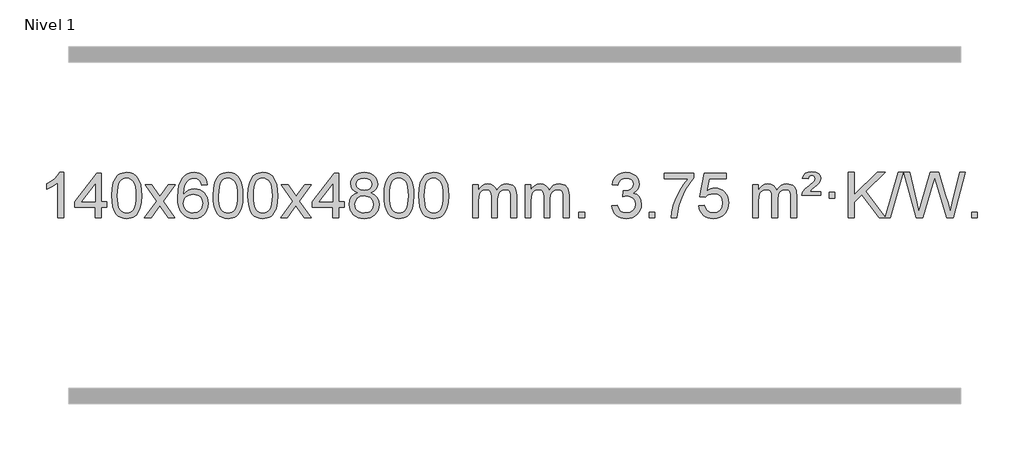
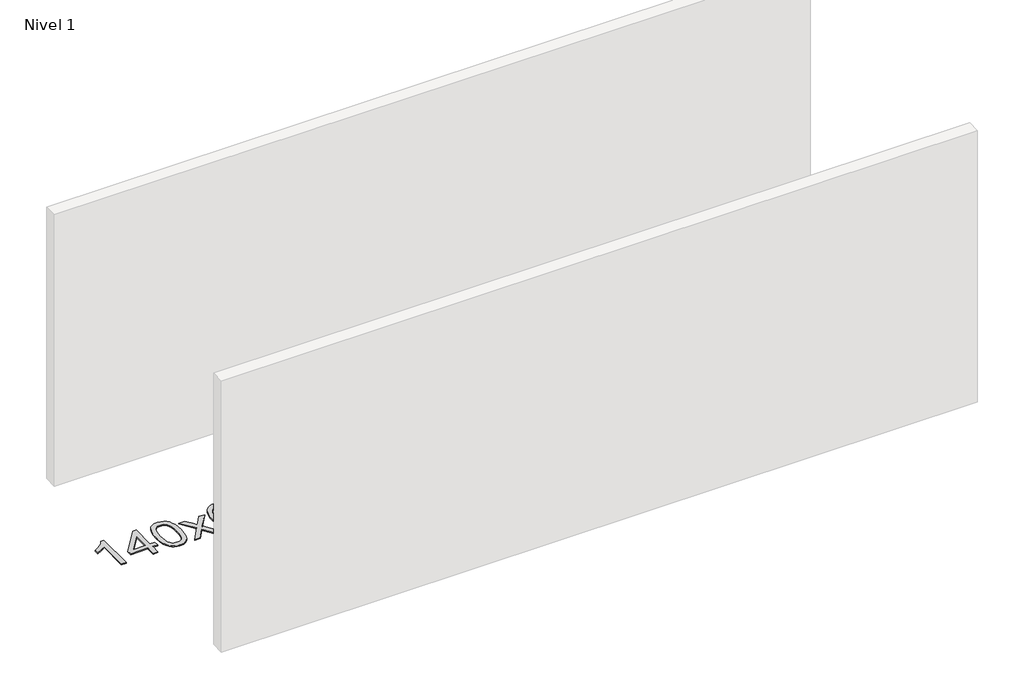
# One storey, part 8 of 21: 1 proxy.
"""IFC4 building model written with IfcOpenShell, lengths in millimetres."""

from ifc_helpers import new_model, si_unit, origin, origin_with_axes, place, context, project, spatial, polyline, outline, extrude, element, save

model = new_model("IFC4")

# Units and contexts
model_context = context("Model", 3, world=origin())
ifc_project = project(units=[si_unit("LENGTHUNIT", "METRE", prefix="MILLI")], contexts=[model_context])

# Site, building, storey
site = spatial("IfcSite", under=ifc_project)
building = spatial("IfcBuilding", under=site)
storey = spatial("IfcBuildingStorey", under=building, Name="Nivel 1", Elevation=0.0)

# Proxy
placement = place(None, origin())
element("IfcBuildingElementProxy", 1, Name="Texto de modelo 1", ObjectType="Texto de modelo 1", at=placement, inside=storey, context=model_context, shape_type="SweptSolid", body=[
    extrude(outline(polyline([(-275.4615788, -33735.579453), (-325.6897338, -33735.579453), (-325.6897338, -33422.4382987), (-346.6590076, -33439.3976587), (-373.2691385, -33456.3324932), (-426.146044, -33481.6918254), (-426.146044, -33434.2105225), (-386.6968314, -33412.7507395), (-352.520594, -33387.219729), (-325.5793692, -33360.0700378), (-307.8351943, -33333.7542124), (-275.4615788, -33333.7542124), (-275.4615788, -33735.579453)])), origin_with_axes(), (0.0, 0.0, 1.0), 10.0),
    extrude(outline(polyline([(7.0717935, -33735.579453), (7.0717935, -33641.4016622), (-175.0052686, -33641.4016622), (-175.0052686, -33591.1735072), (19.6288323, -33340.0327318), (57.2999486, -33340.0327318), (57.2999486, -33591.1735072), (107.5281037, -33591.1735072), (107.5281037, -33641.4016622), (57.2999486, -33641.4016622), (57.2999486, -33735.579453), (7.0717935, -33735.579453)]), holes=[polyline([(7.0717935, -33591.1735072), (7.0717935, -33435.9763561), (-113.2010934, -33591.1735072), (7.0717935, -33591.1735072)])]), origin_with_axes(), (0.0, 0.0, 1.0), 10.0),
    extrude(outline(polyline([(151.4777394, -33537.9041943), (155.1688221, -33473.5861588), (166.2420701, -33422.2911459), (184.5871189, -33383.2343407), (196.4451819, -33368.0009605), (210.0936039, -33355.6309284), (225.5783702, -33346.0598651), (242.9454661, -33339.2233914), (283.3266464, -33333.7542124), (314.277785, -33336.991574), (341.9915619, -33346.7036586), (365.1681276, -33362.5103217), (382.5076323, -33384.0314184), (395.6042314, -33411.0830078), (406.05208, -33443.4811488), (412.8946851, -33484.6226186), (415.1755535, -33537.9041943), (411.521259, -33601.8543477), (400.5583756, -33653.0267333), (382.3236913, -33692.1203266), (370.4932195, -33707.3996922), (356.8539945, -33719.8341036), (341.3508341, -33729.4695462), (323.928556, -33736.3520052), (283.3266464, -33741.8579724), (255.6619204, -33739.4667394), (231.1364541, -33732.2930405), (209.7502474, -33720.3368757), (191.5033004, -33703.5982449), (173.9921175, -33673.3399508), (161.4841296, -33635.6381776), (153.9793369, -33590.4929255), (151.4777394, -33537.9041943)]), holes=[polyline([(201.7058944, -33537.8060924), (203.1774224, -33581.4706195), (207.5920064, -33616.8148822), (214.9496463, -33643.8388804), (225.2503421, -33662.5426142), (237.709279, -33675.2682656), (251.5416421, -33684.3580165), (266.7474312, -33689.8118671), (283.3266464, -33691.6298173), (299.9058617, -33689.8057357), (315.1116508, -33684.3334911), (328.9440138, -33675.2130833), (341.4029507, -33662.4445124), (351.7036466, -33643.7101217), (359.0612865, -33616.6922549), (363.4758705, -33581.3909118), (364.9473984, -33537.8060924), (363.5249214, -33495.2973278), (359.2574902, -33460.5753989), (352.145105, -33433.6403055), (342.1877657, -33414.4920476), (329.9372952, -33401.1440625), (315.9455167, -33391.6097875), (300.21243, -33385.8892225), (282.7380352, -33383.9823675), (266.2446591, -33385.6623619), (251.2963874, -33390.7023452), (237.89322, -33399.1023175), (226.0351571, -33410.8622786), (215.3911047, -33431.708925), (207.7882101, -33459.8151094), (203.2264734, -33495.1808319), (201.7058944, -33537.8060924)])]), origin_with_axes(), (0.0, 0.0, 1.0), 10.0),
    extrude(outline(polyline([(440.2896311, -33735.579453), (547.6130718, -33587.2494325), (446.5681504, -33440.4890419), (506.9988995, -33440.4890419), (555.7555266, -33511.122385), (578.5151594, -33544.4770192), (598.2336343, -33517.2047007), (653.7592901, -33440.4890419), (714.1900392, -33440.4890419), (608.0438209, -33587.2494325), (710.2659646, -33735.579453), (649.8352155, -33735.579453), (588.3253459, -33646.4048574), (577.0436314, -33630.1199477), (500.7203801, -33735.579453), (440.2896311, -33735.579453)])), origin_with_axes(), (0.0, 0.0, 1.0), 10.0),
    extrude(outline(polyline([(999.0778563, -33440.4890419), (948.8497012, -33446.7675613), (940.7562973, -33421.874213), (929.8179393, -33404.8780648), (907.0337811, -33389.2062918), (879.4916824, -33383.9823675), (856.1434384, -33387.0235253), (834.1686206, -33396.1469988), (815.2962742, -33415.3627017), (799.8820186, -33441.8134171), (789.4709581, -33479.227016), (785.6081972, -33531.3313693), (805.7558678, -33507.8237098), (829.9011894, -33491.2567573), (856.6952614, -33481.434308), (884.7891831, -33478.1601582), (908.922242, -33480.398107), (931.1913654, -33487.1119534), (951.5965534, -33498.3016975), (970.137806, -33513.9673391), (985.5459302, -33533.1769106), (996.5517332, -33554.9984443), (1003.155215, -33579.4319401), (1005.3563756, -33606.4773982), (1001.2115718, -33642.4439945), (988.7771604, -33675.786366), (969.0832109, -33704.0642287), (943.159793, -33724.8372987), (912.184129, -33737.602804), (877.3334413, -33741.8579724), (847.3909126, -33739.0375437), (820.3485203, -33730.5762579), (796.2062643, -33716.4741147), (774.9641448, -33696.7311143), (757.6460999, -33670.5133908), (745.2760678, -33636.9870783), (737.8540485, -33596.1521768), (735.3800421, -33548.0086864), (738.1268943, -33494.0342663), (746.367451, -33447.9693092), (760.1017122, -33409.8138149), (779.3296778, -33379.5677835), (800.1701928, -33359.5243462), (824.3339085, -33345.2076052), (851.820825, -33336.6175606), (882.6309421, -33333.7542124), (905.7645882, -33335.5261773), (926.7032051, -33340.8420722), (945.4467927, -33349.7018969), (961.9953511, -33362.1056515), (975.9012906, -33377.6364031), (986.7170212, -33395.8772186), (994.4425431, -33416.8280983), (999.0778563, -33440.4890419)]), holes=[polyline([(785.6081972, -33605.6925832), (788.514465, -33627.9494439), (797.2332682, -33649.2007605), (810.7713257, -33667.472233), (828.1353558, -33680.7895612), (849.0923668, -33688.9197533), (873.4093667, -33691.6298173), (906.5555345, -33686.0134855), (920.4706709, -33678.9930708), (932.6138425, -33669.1644901), (942.4638829, -33656.9262824), (949.499626, -33642.6769865), (955.1282206, -33608.1451299), (949.5732024, -33574.9989621), (942.6294298, -33561.3781312), (932.9081481, -33549.725469), (920.7281883, -33540.3904634), (906.4083817, -33533.7226022), (871.3492275, -33528.3883133), (838.2521107, -33533.7226022), (810.5751219, -33549.725469), (799.6520924, -33561.2248471), (791.8499284, -33574.3858254), (787.16863, -33589.2084042), (785.6081972, -33605.6925832)])]), origin_with_axes(), (0.0, 0.0, 1.0), 10.0),
    extrude(outline(polyline([(1049.3060113, -33537.9041943), (1052.997094, -33473.5861588), (1064.0703421, -33422.2911459), (1082.4153909, -33383.2343407), (1094.2734539, -33368.0009605), (1107.9218759, -33355.6309284), (1123.4066422, -33346.0598651), (1140.7737381, -33339.2233914), (1181.1549184, -33333.7542124), (1212.1060569, -33336.991574), (1239.8198339, -33346.7036586), (1262.9963996, -33362.5103217), (1280.3359043, -33384.0314184), (1293.4325033, -33411.0830078), (1303.880352, -33443.4811488), (1310.7229571, -33484.6226186), (1313.0038255, -33537.9041943), (1309.349531, -33601.8543477), (1298.3866475, -33653.0267333), (1280.1519633, -33692.1203266), (1268.3214915, -33707.3996922), (1254.6822665, -33719.8341036), (1239.1791061, -33729.4695462), (1221.7568279, -33736.3520052), (1181.1549184, -33741.8579724), (1153.4901924, -33739.4667394), (1128.964726, -33732.2930405), (1107.5785194, -33720.3368757), (1089.3315724, -33703.5982449), (1071.8203894, -33673.3399508), (1059.3124016, -33635.6381776), (1051.8076089, -33590.4929255), (1049.3060113, -33537.9041943)]), holes=[polyline([(1099.5341664, -33537.8060924), (1101.0056944, -33581.4706195), (1105.4202783, -33616.8148822), (1112.7779182, -33643.8388804), (1123.0786141, -33662.5426142), (1135.537551, -33675.2682656), (1149.369914, -33684.3580165), (1164.5757032, -33689.8118671), (1181.1549184, -33691.6298173), (1197.7341337, -33689.8057357), (1212.9399228, -33684.3334911), (1226.7722858, -33675.2130833), (1239.2312227, -33662.4445124), (1249.5319186, -33643.7101217), (1256.8895585, -33616.6922549), (1261.3041424, -33581.3909118), (1262.7756704, -33537.8060924), (1261.3531934, -33495.2973278), (1257.0857622, -33460.5753989), (1249.973377, -33433.6403055), (1240.0160376, -33414.4920476), (1227.7655672, -33401.1440625), (1213.7737886, -33391.6097875), (1198.040702, -33385.8892225), (1180.5663072, -33383.9823675), (1164.0729311, -33385.6623619), (1149.1246594, -33390.7023452), (1135.721492, -33399.1023175), (1123.863429, -33410.8622786), (1113.2193766, -33431.708925), (1105.6164821, -33459.8151094), (1101.0547453, -33495.1808319), (1099.5341664, -33537.8060924)])]), origin_with_axes(), (0.0, 0.0, 1.0), 10.0),
    extrude(outline(polyline([(1356.9534612, -33537.9041943), (1360.6445439, -33473.5861588), (1371.7177919, -33422.2911459), (1390.0628407, -33383.2343407), (1401.9209037, -33368.0009605), (1415.5693257, -33355.6309284), (1431.054092, -33346.0598651), (1448.4211879, -33339.2233914), (1488.8023682, -33333.7542124), (1519.7535068, -33336.991574), (1547.4672837, -33346.7036586), (1570.6438494, -33362.5103217), (1587.9833541, -33384.0314184), (1601.0799532, -33411.0830078), (1611.5278018, -33443.4811488), (1618.3704069, -33484.6226186), (1620.6512753, -33537.9041943), (1616.9969808, -33601.8543477), (1606.0340974, -33653.0267333), (1587.7994131, -33692.1203266), (1575.9689413, -33707.3996922), (1562.3297163, -33719.8341036), (1546.8265559, -33729.4695462), (1529.4042778, -33736.3520052), (1488.8023682, -33741.8579724), (1461.1376422, -33739.4667394), (1436.6121759, -33732.2930405), (1415.2259692, -33720.3368757), (1396.9790222, -33703.5982449), (1379.4678393, -33673.3399508), (1366.9598514, -33635.6381776), (1359.4550587, -33590.4929255), (1356.9534612, -33537.9041943)]), holes=[polyline([(1407.1816162, -33537.8060924), (1408.6531442, -33581.4706195), (1413.0677282, -33616.8148822), (1420.4253681, -33643.8388804), (1430.7260639, -33662.5426142), (1443.1850008, -33675.2682656), (1457.0173639, -33684.3580165), (1472.223153, -33689.8118671), (1488.8023682, -33691.6298173), (1505.3815835, -33689.8057357), (1520.5873726, -33684.3334911), (1534.4197356, -33675.2130833), (1546.8786725, -33662.4445124), (1557.1793684, -33643.7101217), (1564.5370083, -33616.6922549), (1568.9515923, -33581.3909118), (1570.4231202, -33537.8060924), (1569.0006432, -33495.2973278), (1564.733212, -33460.5753989), (1557.6208268, -33433.6403055), (1547.6634875, -33414.4920476), (1535.413017, -33401.1440625), (1521.4212385, -33391.6097875), (1505.6881518, -33385.8892225), (1488.213757, -33383.9823675), (1471.7203809, -33385.6623619), (1456.7721092, -33390.7023452), (1443.3689418, -33399.1023175), (1431.5108789, -33410.8622786), (1420.8668265, -33431.708925), (1413.2639319, -33459.8151094), (1408.7021952, -33495.1808319), (1407.1816162, -33537.8060924)])]), origin_with_axes(), (0.0, 0.0, 1.0), 10.0),
    extrude(outline(polyline([(1645.7653528, -33735.579453), (1753.0887936, -33587.2494325), (1652.0438722, -33440.4890419), (1712.4746213, -33440.4890419), (1761.2312484, -33511.122385), (1783.9908812, -33544.4770192), (1803.7093561, -33517.2047007), (1859.2350119, -33440.4890419), (1919.665761, -33440.4890419), (1813.5195426, -33587.2494325), (1915.7416864, -33735.579453), (1855.3109373, -33735.579453), (1793.8010677, -33646.4048574), (1782.5193532, -33630.1199477), (1706.1961019, -33735.579453), (1645.7653528, -33735.579453)])), origin_with_axes(), (0.0, 0.0, 1.0), 10.0),
    extrude(outline(polyline([(2110.3757873, -33735.579453), (2110.3757873, -33641.4016622), (1928.2987251, -33641.4016622), (1928.2987251, -33591.1735072), (2122.9328261, -33340.0327318), (2160.6039424, -33340.0327318), (2160.6039424, -33591.1735072), (2210.8320974, -33591.1735072), (2210.8320974, -33641.4016622), (2160.6039424, -33641.4016622), (2160.6039424, -33735.579453), (2110.3757873, -33735.579453)]), holes=[polyline([(2110.3757873, -33591.1735072), (2110.3757873, -33435.9763561), (1990.1029003, -33591.1735072), (2110.3757873, -33591.1735072)])]), origin_with_axes(), (0.0, 0.0, 1.0), 10.0),
    extrude(outline(polyline([(2327.9657247, -33514.2616447), (2301.0735509, -33501.0178929), (2282.2012045, -33483.0652515), (2271.05438, -33460.7716026), (2267.3387719, -33434.5048281), (2269.3621229, -33414.0199324), (2275.4321758, -33395.2395565), (2285.5489307, -33378.1637006), (2299.7123875, -33362.7923645), (2317.2419645, -33350.088173), (2337.4570802, -33341.0137504), (2360.3577344, -33335.5690969), (2385.9439271, -33333.7542124), (2411.6527472, -33335.6120165), (2434.7250797, -33341.1854287), (2455.1609245, -33350.4744491), (2472.9602817, -33363.4790776), (2487.3812559, -33379.1508506), (2497.6819518, -33396.4413044), (2503.8623693, -33415.3504389), (2505.9225085, -33435.8782543), (2502.2559513, -33461.2989001), (2491.2562796, -33483.2124043), (2472.8008662, -33501.0546811), (2446.7670837, -33514.2616447), (2477.681434, -33530.1909351), (2500.1835494, -33553.6495436), (2513.9055478, -33583.5092989), (2518.4795473, -33618.6420295), (2516.2109416, -33643.6947933), (2509.4051247, -33666.6628926), (2498.0620965, -33687.5463272), (2482.1818571, -33706.3450971), (2462.5982722, -33721.88198), (2440.1452078, -33732.9797536), (2414.8226638, -33739.6384177), (2386.6306402, -33741.8579724), (2358.4386166, -33739.6292206), (2333.1160726, -33732.9429654), (2310.6630082, -33721.7992066), (2291.0794233, -33706.1979443), (2275.1991839, -33687.26735), (2263.8561557, -33666.135595), (2257.0503388, -33642.8026795), (2254.7817331, -33617.2686033), (2259.5396736, -33580.7747094), (2273.813495, -33550.7555386), (2296.8674334, -33528.2411605), (2327.9657247, -33514.2616447)]), holes=[polyline([(2305.0098882, -33615.5027698), (2307.1068156, -33634.7184726), (2313.3975977, -33653.3210389), (2325.010406, -33669.5446349), (2343.073412, -33681.623427), (2364.7048733, -33689.1282197), (2387.0230477, -33691.6298173), (2421.2115477, -33686.3691048), (2435.1052244, -33679.7932141), (2446.8651855, -33670.5869672), (2462.9048405, -33646.6869002), (2468.2513922, -33617.0723996), (2462.7331623, -33586.9551269), (2446.1784725, -33562.5277625), (2434.0996803, -33553.0854579), (2419.9362235, -33546.3409547), (2385.3553159, -33540.9453521), (2351.6450625, -33546.2673783), (2337.9077356, -33552.919911), (2326.2489421, -33562.2334569), (2310.3196517, -33586.1948375), (2305.0098882, -33615.5027698)]), polyline([(2317.566927, -33435.9763561), (2322.0182991, -33457.902123), (2335.3724155, -33475.413306), (2357.2368688, -33486.8912243), (2387.2192514, -33490.717197), (2416.5026582, -33486.9157497), (2438.0360177, -33475.5114079), (2451.2797695, -33458.5888361), (2455.6943534, -33438.232699), (2451.1326167, -33417.1040098), (2437.4474065, -33399.629615), (2415.6197414, -33387.8941794), (2386.6306402, -33383.9823675), (2357.457598, -33387.8083402), (2335.6667211, -33399.2862585), (2322.0918755, -33416.1107284), (2317.566927, -33435.9763561)])]), origin_with_axes(), (0.0, 0.0, 1.0), 10.0),
    extrude(outline(polyline([(2562.429183, -33537.9041943), (2566.1202656, -33473.5861588), (2577.1935137, -33422.2911459), (2595.5385625, -33383.2343407), (2607.3966255, -33368.0009605), (2621.0450475, -33355.6309284), (2636.5298138, -33346.0598651), (2653.8969097, -33339.2233914), (2694.27809, -33333.7542124), (2725.2292286, -33336.991574), (2752.9430055, -33346.7036586), (2776.1195712, -33362.5103217), (2793.4590759, -33384.0314184), (2806.555675, -33411.0830078), (2817.0035236, -33443.4811488), (2823.8461287, -33484.6226186), (2826.1269971, -33537.9041943), (2822.4727026, -33601.8543477), (2811.5098192, -33653.0267333), (2793.2751349, -33692.1203266), (2781.4446631, -33707.3996922), (2767.8054381, -33719.8341036), (2752.3022777, -33729.4695462), (2734.8799996, -33736.3520052), (2694.27809, -33741.8579724), (2666.613364, -33739.4667394), (2642.0878976, -33732.2930405), (2620.701691, -33720.3368757), (2602.454744, -33703.5982449), (2584.9435611, -33673.3399508), (2572.4355732, -33635.6381776), (2564.9307805, -33590.4929255), (2562.429183, -33537.9041943)]), holes=[polyline([(2612.657338, -33537.8060924), (2614.128866, -33581.4706195), (2618.54345, -33616.8148822), (2625.9010899, -33643.8388804), (2636.2017857, -33662.5426142), (2648.6607226, -33675.2682656), (2662.4930856, -33684.3580165), (2677.6988748, -33689.8118671), (2694.27809, -33691.6298173), (2710.8573053, -33689.8057357), (2726.0630944, -33684.3334911), (2739.8954574, -33675.2130833), (2752.3543943, -33662.4445124), (2762.6550902, -33643.7101217), (2770.0127301, -33616.6922549), (2774.427314, -33581.3909118), (2775.898842, -33537.8060924), (2774.476365, -33495.2973278), (2770.2089338, -33460.5753989), (2763.0965486, -33433.6403055), (2753.1392093, -33414.4920476), (2740.8887388, -33401.1440625), (2726.8969603, -33391.6097875), (2711.1638736, -33385.8892225), (2693.6894788, -33383.9823675), (2677.1961027, -33385.6623619), (2662.247831, -33390.7023452), (2648.8446636, -33399.1023175), (2636.9866007, -33410.8622786), (2626.3425483, -33431.708925), (2618.7396537, -33459.8151094), (2614.1779169, -33495.1808319), (2612.657338, -33537.8060924)])]), origin_with_axes(), (0.0, 0.0, 1.0), 10.0),
    extrude(outline(polyline([(2870.0766328, -33537.9041943), (2873.7677155, -33473.5861588), (2884.8409635, -33422.2911459), (2903.1860124, -33383.2343407), (2915.0440753, -33368.0009605), (2928.6924974, -33355.6309284), (2944.1772637, -33346.0598651), (2961.5443595, -33339.2233914), (3001.9255399, -33333.7542124), (3032.8766784, -33336.991574), (3060.5904554, -33346.7036586), (3083.7670211, -33362.5103217), (3101.1065258, -33384.0314184), (3114.2031248, -33411.0830078), (3124.6509735, -33443.4811488), (3131.4935786, -33484.6226186), (3133.7744469, -33537.9041943), (3130.1201525, -33601.8543477), (3119.157269, -33653.0267333), (3100.9225848, -33692.1203266), (3089.0921129, -33707.3996922), (3075.452888, -33719.8341036), (3059.9497276, -33729.4695462), (3042.5274494, -33736.3520052), (3001.9255399, -33741.8579724), (2974.2608138, -33739.4667394), (2949.7353475, -33732.2930405), (2928.3491408, -33720.3368757), (2910.1021939, -33703.5982449), (2892.5910109, -33673.3399508), (2880.0830231, -33635.6381776), (2872.5782304, -33590.4929255), (2870.0766328, -33537.9041943)]), holes=[polyline([(2920.3047879, -33537.8060924), (2921.7763158, -33581.4706195), (2926.1908998, -33616.8148822), (2933.5485397, -33643.8388804), (2943.8492356, -33662.5426142), (2956.3081725, -33675.2682656), (2970.1405355, -33684.3580165), (2985.3463246, -33689.8118671), (3001.9255399, -33691.6298173), (3018.5047551, -33689.8057357), (3033.7105442, -33684.3334911), (3047.5429073, -33675.2130833), (3060.0018442, -33662.4445124), (3070.30254, -33643.7101217), (3077.6601799, -33616.6922549), (3082.0747639, -33581.3909118), (3083.5462919, -33537.8060924), (3082.1238148, -33495.2973278), (3077.8563837, -33460.5753989), (3070.7439984, -33433.6403055), (3060.7866591, -33414.4920476), (3048.5361887, -33401.1440625), (3034.5444101, -33391.6097875), (3018.8113234, -33385.8892225), (3001.3369287, -33383.9823675), (2984.8435526, -33385.6623619), (2969.8952808, -33390.7023452), (2956.4921135, -33399.1023175), (2944.6340505, -33410.8622786), (2933.9899981, -33431.708925), (2926.3871035, -33459.8151094), (2921.8253668, -33495.1808319), (2920.3047879, -33537.8060924)])]), origin_with_axes(), (0.0, 0.0, 1.0), 10.0),
    extrude(outline(polyline([(3347.244106, -33735.579453), (3347.244106, -33440.4890419), (3397.4722611, -33440.4890419), (3397.4722611, -33489.0494653), (3412.5799483, -33466.7435537), (3432.0041177, -33449.2691589), (3455.0825815, -33437.9751816), (3481.1531522, -33434.2105225), (3509.0876584, -33438.048758), (3531.4794092, -33449.5634645), (3548.2057772, -33467.9943524), (3559.1441352, -33492.5811324), (3577.4523959, -33467.0439906), (3598.3358304, -33448.803175), (3621.794439, -33437.8586857), (3647.8282215, -33434.2105225), (3667.9360383, -33435.7280358), (3685.585177, -33440.2805755), (3700.7756377, -33447.8681416), (3713.5074204, -33458.4907342), (3723.5720587, -33472.2709806), (3730.761086, -33489.3315082), (3735.0745024, -33509.6723168), (3736.5123078, -33533.2934066), (3736.5123078, -33735.579453), (3686.2841528, -33735.579453), (3686.2841528, -33554.875817), (3685.1191931, -33529.8230531), (3681.6243142, -33512.9372695), (3675.0760146, -33501.3735121), (3664.7507933, -33492.2868268), (3651.4702533, -33486.4007149), (3636.0559977, -33484.4386776), (3608.8449928, -33489.4663982), (3586.6617085, -33504.54956), (3578.0563355, -33516.1194488), (3571.9096405, -33530.7182326), (3566.9922845, -33569.0024856), (3566.9922845, -33735.579453), (3516.7641294, -33735.579453), (3516.7641294, -33549.2840106), (3513.8578616, -33520.8835206), (3505.1390583, -33500.6254854), (3489.7983791, -33488.4853796), (3467.0264836, -33484.4386776), (3447.6758907, -33487.1364789), (3429.8458767, -33495.2298828), (3415.1305968, -33508.5226856), (3405.1242066, -33526.8186835), (3399.3852475, -33552.2025411), (3397.4722611, -33586.7589232), (3397.4722611, -33735.579453), (3347.244106, -33735.579453)])), origin_with_axes(), (0.0, 0.0, 1.0), 10.0),
    extrude(outline(polyline([(3811.8545404, -33735.579453), (3811.8545404, -33440.4890419), (3862.0826955, -33440.4890419), (3862.0826955, -33489.0494653), (3877.1903828, -33466.7435537), (3896.6145521, -33449.2691589), (3919.693016, -33437.9751816), (3945.7635867, -33434.2105225), (3973.6980929, -33438.048758), (3996.0898436, -33449.5634645), (4012.8162117, -33467.9943524), (4023.7545697, -33492.5811324), (4042.0628303, -33467.0439906), (4062.9462649, -33448.803175), (4086.4048734, -33437.8586857), (4112.438656, -33434.2105225), (4132.5464727, -33435.7280358), (4150.1956114, -33440.2805755), (4165.3860721, -33447.8681416), (4178.1178548, -33458.4907342), (4188.1824931, -33472.2709806), (4195.3715204, -33489.3315082), (4199.6849368, -33509.6723168), (4201.1227423, -33533.2934066), (4201.1227423, -33735.579453), (4150.8945872, -33735.579453), (4150.8945872, -33554.875817), (4149.7296276, -33529.8230531), (4146.2347486, -33512.9372695), (4139.6864491, -33501.3735121), (4129.3612278, -33492.2868268), (4116.0806877, -33486.4007149), (4100.6664321, -33484.4386776), (4073.4554272, -33489.4663982), (4051.2721429, -33504.54956), (4042.6667699, -33516.1194488), (4036.5200749, -33530.7182326), (4031.6027189, -33569.0024856), (4031.6027189, -33735.579453), (3981.3745638, -33735.579453), (3981.3745638, -33549.2840106), (3978.4682961, -33520.8835206), (3969.7494928, -33500.6254854), (3954.4088136, -33488.4853796), (3931.6369181, -33484.4386776), (3912.2863251, -33487.1364789), (3894.4563111, -33495.2298828), (3879.7410313, -33508.5226856), (3869.734641, -33526.8186835), (3863.9956819, -33552.2025411), (3862.0826955, -33586.7589232), (3862.0826955, -33735.579453), (3811.8545404, -33735.579453)])), origin_with_axes(), (0.0, 0.0, 1.0), 10.0),
    extrude(outline(polyline([(4289.0220137, -33735.579453), (4289.0220137, -33685.3512979), (4339.2501687, -33685.3512979), (4339.2501687, -33735.579453), (4289.0220137, -33735.579453)])), origin_with_axes(), (0.0, 0.0, 1.0), 10.0),
    extrude(outline(polyline([(4577.8339053, -33628.8446235), (4628.0620604, -33622.5661041), (4639.3069867, -33654.1303793), (4655.7758374, -33675.4430095), (4678.2779528, -33687.5831154), (4707.6226732, -33691.6298173), (4742.056428, -33686.0625364), (4756.3302494, -33679.1034354), (4768.6420335, -33669.3606939), (4785.6381817, -33644.4428201), (4791.3035644, -33614.2274455), (4785.6872326, -33585.5449126), (4768.8382372, -33562.2825078), (4743.3317522, -33546.8682522), (4711.7429516, -33541.730167), (4676.5243819, -33547.2238715), (4682.1161882, -33496.9957164), (4690.1605412, -33497.5843276), (4720.2532884, -33493.979084), (4747.157725, -33483.1633534), (4758.230973, -33474.9841103), (4766.1404359, -33464.8673555), (4770.8861137, -33452.8130888), (4772.4680063, -33438.8213102), (4767.881744, -33417.1285352), (4754.1229574, -33399.5315131), (4733.1291582, -33387.8696539), (4706.8378583, -33383.9823675), (4680.4975075, -33387.9064421), (4658.964148, -33399.6786659), (4643.2433241, -33419.299039), (4634.3405798, -33446.7675613), (4584.1124247, -33440.4890419), (4590.0659817, -33416.5092672), (4598.9012809, -33395.3867093), (4610.6183225, -33377.1213683), (4625.2171063, -33361.713244), (4642.23778, -33349.4811677), (4661.2204909, -33340.7439703), (4682.1652392, -33335.5016519), (4705.0720247, -33333.7542124), (4736.6485627, -33337.2000404), (4765.6499266, -33347.5375245), (4790.1018166, -33363.8469596), (4808.0299325, -33385.2086408), (4819.0296041, -33409.8199463), (4822.6961613, -33435.8782543), (4819.2135451, -33460.1584659), (4808.7656964, -33482.1823347), (4791.4997681, -33500.9443165), (4767.562913, -33515.4388671), (4799.0045608, -33528.1430586), (4822.3037539, -33549.77452), (4836.7247281, -33579.1560286), (4841.5317195, -33615.1103623), (4839.1282238, -33640.5923218), (4831.9177367, -33664.0631931), (4819.9002582, -33685.5229762), (4803.0757883, -33704.971671), (4782.5786298, -33721.1094278), (4759.5430855, -33732.636397), (4733.9691555, -33739.5525785), (4705.8568397, -33741.8579724), (4680.4484565, -33739.8898037), (4657.2964163, -33733.9852977), (4636.400719, -33724.1444543), (4617.7613645, -33710.3672736), (4602.1325111, -33693.4630959), (4590.2683168, -33674.2412617), (4582.1687815, -33652.7017708), (4577.8339053, -33628.8446235)])), origin_with_axes(), (0.0, 0.0, 1.0), 10.0),
    extrude(outline(polyline([(4910.5954327, -33735.579453), (4910.5954327, -33685.3512979), (4960.8235878, -33685.3512979), (4960.8235878, -33735.579453), (4910.5954327, -33735.579453)])), origin_with_axes(), (0.0, 0.0, 1.0), 10.0),
    extrude(outline(polyline([(5042.4443398, -33390.2608869), (5042.4443398, -33340.0327318), (5306.1421539, -33340.0327318), (5306.1421539, -33380.646904), (5268.5568767, -33428.214046), (5231.3394816, -33488.7061088), (5198.5121449, -33556.6048623), (5174.0970431, -33626.3920768), (5162.1286155, -33678.6067947), (5155.4576887, -33735.579453), (5105.2295336, -33735.579453), (5110.6619244, -33683.8061935), (5125.1932632, -33622.2717985), (5148.4311426, -33557.0463207), (5179.983155, -33494.1998132), (5216.8204055, -33437.3865704), (5255.9139988, -33390.2608869), (5042.4443398, -33390.2608869)])), origin_with_axes(), (0.0, 0.0, 1.0), 10.0),
    extrude(outline(polyline([(5350.0917896, -33628.8446235), (5400.3199447, -33622.5661041), (5409.54152, -33652.7201649), (5425.630226, -33674.3148381), (5448.5124861, -33687.3010725), (5478.1147239, -33691.6298173), (5497.2445877, -33690.1245668), (5514.1181085, -33685.6088153), (5528.7352865, -33678.0825628), (5541.0961215, -33667.5458094), (5550.9247021, -33654.519721), (5557.9451169, -33639.5254641), (5563.5614487, -33603.6324441), (5558.3007361, -33569.8363514), (5551.7248455, -33555.9181493), (5542.5185986, -33543.9865099), (5530.6513385, -33534.4154467), (5516.0924086, -33527.5789729), (5478.8995389, -33522.1097939), (5454.533488, -33524.2925604), (5434.8027504, -33530.8408599), (5419.0451382, -33540.8717757), (5406.5984641, -33553.5023908), (5356.370309, -33547.2238715), (5400.3199447, -33340.0327318), (5594.9540456, -33340.0327318), (5594.9540456, -33390.2608869), (5440.934117, -33390.2608869), (5419.4498084, -33500.919791), (5437.1755892, -33488.2155994), (5455.3305657, -33479.1411769), (5473.9147378, -33473.6965234), (5492.9281056, -33471.8816388), (5517.3891926, -33474.1318504), (5539.8575855, -33480.882485), (5560.3332842, -33492.1335427), (5578.8162887, -33507.8850234), (5594.1171141, -33527.1743027), (5605.046275, -33549.038756), (5611.6037716, -33573.4783832), (5613.7896038, -33600.4931844), (5611.8214351, -33626.5147042), (5605.9169291, -33650.7213394), (5596.0760857, -33673.1130902), (5582.298905, -33693.6899565), (5561.4277331, -33714.7634634), (5537.073945, -33729.8159684), (5509.2375407, -33738.8474714), (5477.9185202, -33741.8579724), (5451.998168, -33739.9235262), (5428.5855447, -33734.1201877), (5407.6806503, -33724.447957), (5389.2834848, -33710.9068338), (5373.9765281, -33694.1712688), (5362.3422601, -33674.915712), (5354.3806805, -33653.1401636), (5350.0917896, -33628.8446235)])), origin_with_axes(), (0.0, 0.0, 1.0), 10.0),
    extrude(outline(polyline([(5827.2592628, -33735.579453), (5827.2592628, -33440.4890419), (5877.4874179, -33440.4890419), (5877.4874179, -33489.0494653), (5892.5951052, -33466.7435537), (5912.0192745, -33449.2691589), (5935.0977383, -33437.9751816), (5961.1683091, -33434.2105225), (5989.1028152, -33438.048758), (6011.494566, -33449.5634645), (6028.2209341, -33467.9943524), (6039.159292, -33492.5811324), (6057.4675527, -33467.0439906), (6078.3509873, -33448.803175), (6101.8095958, -33437.8586857), (6127.8433783, -33434.2105225), (6147.9511951, -33435.7280358), (6165.6003338, -33440.2805755), (6180.7907945, -33447.8681416), (6193.5225772, -33458.4907342), (6203.5872155, -33472.2709806), (6210.7762428, -33489.3315082), (6215.0896592, -33509.6723168), (6216.5274647, -33533.2934066), (6216.5274647, -33735.579453), (6166.2993096, -33735.579453), (6166.2993096, -33554.875817), (6165.1343499, -33529.8230531), (6161.639471, -33512.9372695), (6155.0911715, -33501.3735121), (6144.7659501, -33492.2868268), (6131.4854101, -33486.4007149), (6116.0711545, -33484.4386776), (6088.8601496, -33489.4663982), (6066.6768653, -33504.54956), (6058.0714923, -33516.1194488), (6051.9247973, -33530.7182326), (6047.0074413, -33569.0024856), (6047.0074413, -33735.579453), (5996.7792862, -33735.579453), (5996.7792862, -33549.2840106), (5993.8730184, -33520.8835206), (5985.1542152, -33500.6254854), (5969.813536, -33488.4853796), (5947.0416405, -33484.4386776), (5927.6910475, -33487.1364789), (5909.8610335, -33495.2298828), (5895.1457537, -33508.5226856), (5885.1393634, -33526.8186835), (5879.4004043, -33552.2025411), (5877.4874179, -33586.7589232), (5877.4874179, -33735.579453), (5827.2592628, -33735.579453)])), origin_with_axes(), (0.0, 0.0, 1.0), 10.0),
    extrude(outline(polyline([(6260.4771003, -33534.6668327), (6264.3030731, -33518.8479069), (6272.6417317, -33502.9799302), (6294.1505656, -33477.8413272), (6326.1072483, -33450.1030247), (6370.2530877, -33412.726214), (6377.3899984, -33401.1992448), (6379.7689686, -33389.3779701), (6377.8805077, -33377.2869152), (6372.215125, -33367.5012541), (6362.8463969, -33361.026531), (6349.8478997, -33358.8682899), (6337.4134883, -33360.4869707), (6328.5597949, -33365.343013), (6322.1341227, -33374.8098431), (6316.9837748, -33390.2608869), (6266.7556197, -33383.9823675), (6277.5958759, -33358.7701881), (6294.224142, -33341.2099542), (6317.9893189, -33330.9092583), (6350.2403072, -33327.475693), (6386.0229626, -33331.6082341), (6410.7691581, -33344.0058573), (6425.1901323, -33362.3386434), (6429.9971237, -33384.2766731), (6425.9013708, -33407.1834586), (6413.6141122, -33428.8149199), (6393.0862969, -33448.6314968), (6356.6169284, -33476.6886303), (6331.0123416, -33503.2742358), (6429.9971237, -33503.2742358), (6429.9971237, -33534.6668327), (6260.4771003, -33534.6668327)])), origin_with_axes(), (0.0, 0.0, 1.0), 10.0),
    extrude(outline(polyline([(6505.3393563, -33559.7809102), (6505.3393563, -33509.5527552), (6555.5675114, -33509.5527552), (6555.5675114, -33559.7809102), (6505.3393563, -33559.7809102)])), origin_with_axes(), (0.0, 0.0, 1.0), 10.0),
    extrude(outline(polyline([(6946.2091394, -33735.579453), (6792.7778219, -33532.9009991), (6725.0875348, -33597.4520265), (6725.0875348, -33735.579453), (6674.8593797, -33735.579453), (6674.8593797, -33333.7542124), (6725.0875348, -33333.7542124), (6725.0875348, -33530.4484525), (6931.1014521, -33333.7542124), (7001.3423877, -33333.7542124), (6828.388799, -33498.9577537), (7003.0424089, -33729.5349332), (7114.3557366, -33333.7542124), (7159.6787984, -33333.7542124), (7046.6654495, -33735.579453), (7007.6209071, -33735.579453), (7001.3423877, -33735.579453), (6946.2091394, -33735.579453)])), origin_with_axes(), (0.0, 0.0, 1.0), 10.0),
    extrude(outline(polyline([(7274.1636753, -33735.579453), (7164.5838917, -33333.7542124), (7216.3816766, -33333.7542124), (7279.9516854, -33597.844434), (7299.5720585, -33679.3670841), (7320.5658576, -33607.2622131), (7400.2245723, -33333.7542124), (7474.8800919, -33333.7542124), (7532.7601925, -33532.0180823), (7557.5554389, -33605.5944814), (7575.8269114, -33679.3670841), (7594.8586732, -33600.1988788), (7659.0172932, -33333.7542124), (7710.8150781, -33333.7542124), (7601.1371926, -33735.579453), (7547.4754723, -33735.579453), (7451.1394405, -33425.5775584), (7437.6994849, -33382.3146358), (7422.5917976, -33434.4067263), (7334.7906281, -33735.579453), (7274.1636753, -33735.579453)])), origin_with_axes(), (0.0, 0.0, 1.0), 10.0),
    extrude(outline(polyline([(7767.3217526, -33735.579453), (7767.3217526, -33685.3512979), (7817.5499077, -33685.3512979), (7817.5499077, -33735.579453), (7767.3217526, -33735.579453)])), origin_with_axes(), (0.0, 0.0, 1.0), 10.0),
])

save(model, "model.ifc")
